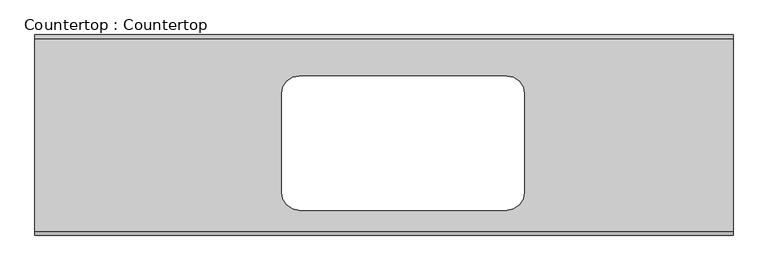
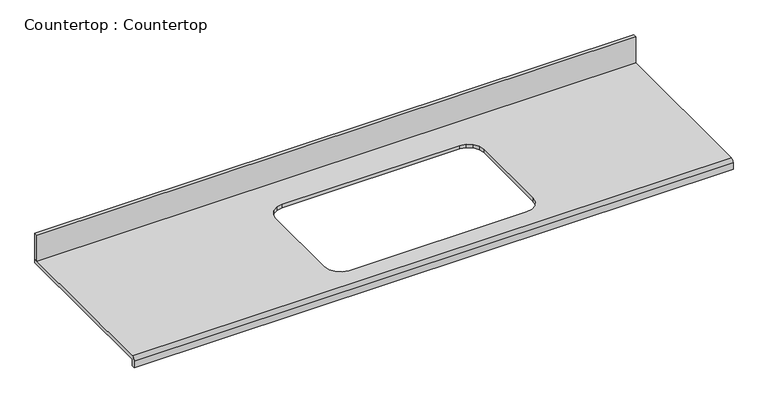
"""IFC4 building model written with IfcOpenShell, lengths in millimetres: proxy geometry, Countertop : Countertop."""

from ifc_helpers import new_model, si_unit, frame, origin, place, context, project, spatial, polyline, circle_curve, outline, extrude, source, transform, mapped, element, save
from ifc_brep_helpers import plane_surface, cylinder_surface, advanced_brep


def countertop_countertop_2eea1486(model_context):
    return source(origin(), model_context, "Body", "SolidModel", [
        extrude(outline(polyline([(2209.8, 0.0), (2209.8, -12.7), (0.0, -12.7), (0.0, 0.0), (2209.8, 0.0)])), frame((0.0, 0.0, 863.6), z_axis=(0.0, 0.0, 1.0), x_axis=(1.0, 0.0, 0.0)), (0.0, 0.0, 1.0), 101.6),
        advanced_brep(
        [(0.0, -622.3, 863.6), (0.0, 0.0, 863.6), (0.0, 0.0, 850.9), (0.0, -622.3, 850.9), (0.0, -622.3, 825.5), (0.0, -635.0, 825.5), (0.0, -635.0, 850.9), (2209.8, -622.3, 863.6), (2209.8, -635.0, 850.9), (2209.8, -635.0, 825.5), (2209.8, -622.3, 825.5), (2209.8, -622.3, 850.9), (2209.8, 0.0, 850.9), (2209.8, 0.0, 863.6), (797.4469245, -146.7254885, 863.6), (816.0280808, -134.3099484, 863.6), (837.3206302, -130.0745959, 863.6), (1492.875473, -130.0745959, 863.6), (1514.1679691, -134.3099489, 863.6), (1532.7491562, -146.7254905, 863.6), (1545.1646484, -165.3066034, 863.6), (1549.4, -186.5991761, 863.6), (1549.4, -499.2540165, 863.6), (1545.1646489, -520.5465591, 863.6), (1532.7491582, -539.1277271, 863.6), (1514.1679657, -551.5432437, 863.6), (1492.875473, -555.7785959, 863.6), (837.3206302, -555.7785959, 863.6), (816.0280842, -551.5432441, 863.6), (797.4469226, -539.127729, 863.6), (785.0313756, -520.5465625, 863.6), (780.7960508, -499.2540124, 863.6), (780.7960508, -186.5991802, 863.6), (785.031376, -165.3066, 863.6), (816.0280808, -134.3099484, 850.9), (797.4469245, -146.7254885, 850.9), (785.031376, -165.3066, 850.9), (780.7960508, -186.5991802, 850.9), (780.7960508, -499.2540124, 850.9), (785.0313756, -520.5465625, 850.9), (797.4469226, -539.127729, 850.9), (816.0280842, -551.5432441, 850.9), (837.3206302, -555.7785959, 850.9), (1492.875473, -555.7785959, 850.9), (1514.1679657, -551.5432437, 850.9), (1532.7491582, -539.1277271, 850.9), (1545.1646489, -520.5465591, 850.9), (1549.4, -499.2540165, 850.9), (1549.4, -186.5991761, 850.9), (1545.1646484, -165.3066034, 850.9), (1532.7491562, -146.7254905, 850.9), (1514.1679691, -134.3099489, 850.9), (1492.875473, -130.0745959, 850.9), (837.3206302, -130.0745959, 850.9)],
        [
            (0, 1),
            (1, 2),
            (2, 3),
            (3, 4),
            (4, 5),
            (5, 6),
            (6, 0, circle_curve(frame((0.0, -622.3, 850.9), z_axis=(-1.0, 0.0, 0.0), x_axis=(0.0, 1.0, 0.0)), 12.7)),
            (7, 8, circle_curve(frame((2209.8, -622.3, 850.9), z_axis=(1.0, 0.0, 0.0), x_axis=(0.0, 1.0, 0.0)), 12.7)),
            (8, 9),
            (9, 10),
            (10, 11),
            (11, 12),
            (12, 13),
            (13, 7),
            (0, 7),
            (13, 1),
            (14, 15),
            (15, 16),
            (16, 17),
            (17, 18),
            (18, 19),
            (19, 20),
            (20, 21),
            (21, 22),
            (22, 23),
            (23, 24),
            (24, 25),
            (25, 26),
            (26, 27),
            (27, 28),
            (28, 29),
            (29, 30),
            (30, 31),
            (31, 32),
            (32, 33),
            (33, 14),
            (12, 2),
            (11, 3),
            (34, 35),
            (35, 36),
            (36, 37),
            (37, 38),
            (38, 39),
            (39, 40),
            (40, 41),
            (41, 42),
            (42, 43),
            (43, 44),
            (44, 45),
            (45, 46),
            (46, 47),
            (47, 48),
            (48, 49),
            (49, 50),
            (50, 51),
            (51, 52),
            (52, 53),
            (53, 34),
            (10, 4),
            (9, 5),
            (8, 6),
            (34, 15),
            (14, 35),
            (33, 36),
            (32, 37),
            (31, 38),
            (30, 39),
            (29, 40),
            (28, 41),
            (27, 42),
            (26, 43),
            (25, 44),
            (24, 45),
            (23, 46),
            (22, 47),
            (21, 48),
            (20, 49),
            (19, 50),
            (18, 51),
            (17, 52),
            (16, 53),
        ],
        [
            plane_surface(frame((0.0, 0.0, 863.6), z_axis=(-1.0, 0.0, 0.0), x_axis=(0.0, 0.0, 1.0))),
            plane_surface(frame((2209.8, 0.0, 863.6), z_axis=(1.0, 0.0, 0.0), x_axis=(0.0, 0.0, 1.0))),
            plane_surface(frame((0.0, -622.3, 863.6), z_axis=(0.0, 0.0, 1.0), x_axis=(1.0, 0.0, 0.0))),
            plane_surface(frame((0.0, 0.0, 863.6), z_axis=(0.0, 1.0, 0.0), x_axis=(1.0, 0.0, 0.0))),
            plane_surface(frame((0.0, 0.0, 850.9), z_axis=(0.0, 0.0, -1.0), x_axis=(1.0, 0.0, 0.0))),
            plane_surface(frame((0.0, -622.3, 850.9), z_axis=(0.0, 1.0, 0.0), x_axis=(1.0, 0.0, 0.0))),
            plane_surface(frame((0.0, -622.3, 825.5), z_axis=(0.0, 0.0, -1.0), x_axis=(1.0, 0.0, 0.0))),
            plane_surface(frame((0.0, -635.0, 825.5), z_axis=(0.0, -1.0, 0.0), x_axis=(1.0, 0.0, 0.0))),
            cylinder_surface(frame((0.0, -622.3, 850.9), z_axis=(-1.0, 0.0, 0.0), x_axis=(0.0, 1.0, 0.0)), 12.7),
            plane_surface(frame((816.0280808, -134.3099484, 928.210099), z_axis=(0.5555704946525724, -0.8314694374849242, 0.0), x_axis=(0.0, 0.0, -1.0))),
            plane_surface(frame((797.4469245, -146.7254885, 928.210099), z_axis=(0.8314686464171007, -0.5555716785666045, 0.0), x_axis=(0.0, 0.0, -1.0))),
            plane_surface(frame((785.031376, -165.3066, 928.210099), z_axis=(0.9807855650249105, -0.1950888911208609, 0.0), x_axis=(0.0, 0.0, -1.0))),
            plane_surface(frame((780.7960508, -186.5991802, 928.210099), z_axis=(1.0, 0.0, 0.0), x_axis=(0.0, 0.0, -1.0))),
            plane_surface(frame((780.7960508, -499.2540124, 928.210099), z_axis=(0.9807855162530125, 0.19508913631545938, 0.0), x_axis=(0.0, 0.0, -1.0))),
            plane_surface(frame((785.0313756, -520.5465625, 928.210099), z_axis=(0.8314694374849193, 0.5555704946525796, 0.0), x_axis=(0.0, 0.0, -1.0))),
            plane_surface(frame((797.4469226, -539.127729, 928.210099), z_axis=(0.5555696087274231, 0.8314700294409042, 0.0), x_axis=(0.0, 0.0, -1.0))),
            plane_surface(frame((816.0280842, -551.5432441, 928.210099), z_axis=(0.1950903690008166, 0.9807852710573938, 0.0), x_axis=(0.0, 0.0, -1.0))),
            plane_surface(frame((837.3206302, -555.7785959, 928.210099), z_axis=(0.0, 1.0, 0.0), x_axis=(0.0, 0.0, -1.0))),
            plane_surface(frame((1492.875473, -555.7785959, 928.210099), z_axis=(-0.19509085939469806, 0.9807851735118339, 0.0), x_axis=(0.0, 0.0, -1.0))),
            plane_surface(frame((1514.1679657, -551.5432437, 928.210099), z_axis=(-0.5555690167719735, 0.8314704249719426, 0.0), x_axis=(0.0, 0.0, -1.0))),
            plane_surface(frame((1532.7491582, -539.1277271, 928.210099), z_axis=(-0.8314706213967956, 0.555568722800363, 0.0), x_axis=(0.0, 0.0, -1.0))),
            plane_surface(frame((1545.1646489, -520.5465591, 928.210099), z_axis=(-0.9807852710574041, 0.1950903690007643, 0.0), x_axis=(0.0, 0.0, -1.0))),
            plane_surface(frame((1549.4, -499.2540165, 928.210099), z_axis=(-1.0, 0.0, 0.0), x_axis=(0.0, 0.0, -1.0))),
            plane_surface(frame((1549.4, -186.5991761, 928.210099), z_axis=(-0.9807853198298971, -0.19509012380478497, 0.0), x_axis=(0.0, 0.0, -1.0))),
            plane_surface(frame((1545.1646484, -165.3066034, 928.210099), z_axis=(-0.8314698303328858, -0.5555699067139996, 0.0), x_axis=(0.0, 0.0, -1.0))),
            plane_surface(frame((1532.7491562, -146.7254905, 928.210099), z_axis=(-0.5555699026970268, -0.831469833016939, 0.0), x_axis=(0.0, 0.0, -1.0))),
            plane_surface(frame((1514.1679691, -134.3099489, 928.210099), z_axis=(-0.195090859394691, -0.9807851735118354, 0.0), x_axis=(0.0, 0.0, -1.0))),
            plane_surface(frame((1492.875473, -130.0745959, 928.210099), z_axis=(0.0, -1.0, 0.0), x_axis=(0.0, 0.0, -1.0))),
            plane_surface(frame((837.3206302, -130.0745959, 928.210099), z_axis=(0.195090369000822, -0.9807852710573927, 0.0), x_axis=(0.0, 0.0, -1.0))),
        ],
        [
            (0, [[1, 2, 3, 4, 5, 6, 7]]),
            (1, [[8, 9, 10, 11, 12, 13, 14]]),
            (2, [[-1, 15, -14, 16], [17, 18, 19, 20, 21, 22, 23, 24, 25, 26, 27, 28, 29, 30, 31, 32, 33, 34, 35, 36]]),
            (3, [[-2, -16, -13, 37]]),
            (4, [[-3, -37, -12, 38], [39, 40, 41, 42, 43, 44, 45, 46, 47, 48, 49, 50, 51, 52, 53, 54, 55, 56, 57, 58]]),
            (5, [[-4, -38, -11, 59]]),
            (6, [[-5, -59, -10, 60]]),
            (7, [[-6, -60, -9, 61]]),
            (8, [[-7, -61, -8, -15]]),
            (9, [[62, -17, 63, -39]]),
            (10, [[-63, -36, 64, -40]]),
            (11, [[-64, -35, 65, -41]]),
            (12, [[-65, -34, 66, -42]]),
            (13, [[-66, -33, 67, -43]]),
            (14, [[-67, -32, 68, -44]]),
            (15, [[-68, -31, 69, -45]]),
            (16, [[-69, -30, 70, -46]]),
            (17, [[-70, -29, 71, -47]]),
            (18, [[-71, -28, 72, -48]]),
            (19, [[-72, -27, 73, -49]]),
            (20, [[-73, -26, 74, -50]]),
            (21, [[-74, -25, 75, -51]]),
            (22, [[-75, -24, 76, -52]]),
            (23, [[-76, -23, 77, -53]]),
            (24, [[-77, -22, 78, -54]]),
            (25, [[-78, -21, 79, -55]]),
            (26, [[-79, -20, 80, -56]]),
            (27, [[81, -57, -80, -19]]),
            (28, [[-62, -58, -81, -18]]),
        ],
    ),
    ])


if __name__ == "__main__":
    model = new_model("IFC4")
    model_context = context("Model", 3, world=origin())
    ifc_project = project(units=[si_unit("LENGTHUNIT", "METRE", prefix="MILLI")], contexts=[model_context])
    site = spatial("IfcSite", under=ifc_project)
    building = spatial("IfcBuilding", under=site)
    placement = place(None, origin())
    countertop_countertop_shape = countertop_countertop_2eea1486(model_context)
    element("IfcBuildingElementProxy", 1, Name="Countertop : Countertop", ObjectType="Countertop : Countertop", at=placement, inside=building, context=model_context, shape_type="MappedRepresentation", body=[
        mapped(countertop_countertop_shape, transform((0.0, 0.0, 0.0), x_axis=(1.0, 0.0, 0.0), y_axis=(0.0, 1.0, 0.0), z_axis=(0.0, 0.0, 1.0))),
    ])
    save(model, "model.ifc")
